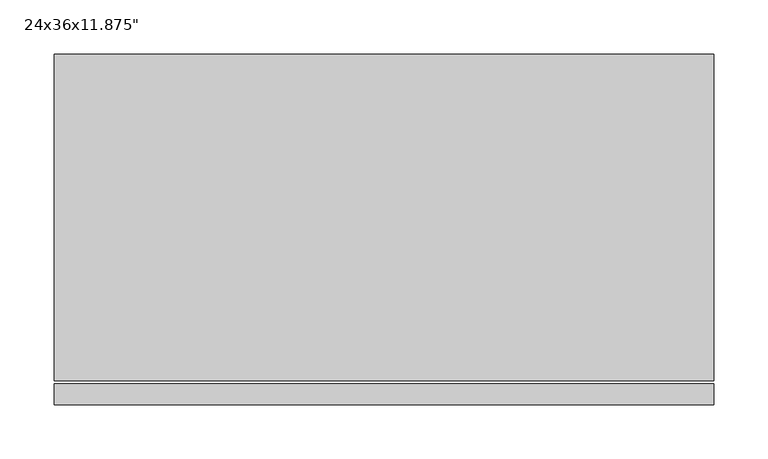
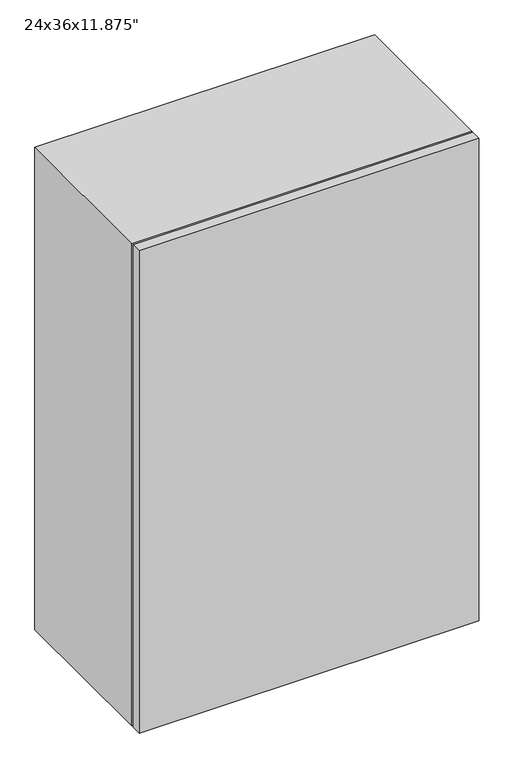
"""IFC4 building model written with IfcOpenShell, lengths in millimetres: furniture geometry."""

from ifc_helpers import new_model, si_unit, frame, origin, place, context, project, spatial, polyline, outline, extrude, source, transform, mapped, element, save


def furniture_7ad72b8a(model_context):
    return source(origin(), model_context, "Body", "SweptSolid", [
        extrude(outline(polyline([(315.5211628, -82.55), (315.5211628, -101.6), (-255.9788372, -101.6), (-255.9788372, -82.55), (315.5211628, -82.55)])), frame((0.0, 0.0, 1238.25), z_axis=(0.0, 0.0, 1.0), x_axis=(1.0, 0.0, 0.0)), (0.0, 0.0, 1.0), 876.3),
        extrude(outline(polyline([(2133.6, -275.0288372), (1219.2, -275.0288372), (1219.2, 334.5711628), (2133.6, 334.5711628), (2133.6, -275.0288372)]), holes=[polyline([(2114.55, -255.9788372), (2114.55, 315.5211628), (1238.25, 315.5211628), (1238.25, -255.9788372), (2114.55, -255.9788372)])]), frame((0.0, -384.175, 0.0), z_axis=(0.0, 1.0, 0.0), x_axis=(0.0, 0.0, 1.0)), (0.0, 0.0, 1.0), 301.625),
        extrude(outline(polyline([(-275.0288372, -406.4), (-275.0288372, -387.35), (334.5711628, -387.35), (334.5711628, -406.4), (-275.0288372, -406.4)])), frame((0.0, 0.0, 1219.2), z_axis=(0.0, 0.0, 1.0), x_axis=(1.0, 0.0, 0.0)), (0.0, 0.0, 1.0), 914.4),
        extrude(outline(polyline([(315.5211628, -384.175), (-255.9788372, -384.175), (-255.9788372, -101.6), (315.5211628, -101.6), (315.5211628, -384.175)])), frame((0.0, 0.0, 1828.8), z_axis=(0.0, 0.0, 1.0), x_axis=(1.0, 0.0, 0.0)), (0.0, 0.0, 1.0), 19.05),
        extrude(outline(polyline([(315.5211628, -384.175), (-255.9788372, -384.175), (-255.9788372, -101.6), (315.5211628, -101.6), (315.5211628, -384.175)])), frame((0.0, 0.0, 1524.0), z_axis=(0.0, 0.0, 1.0), x_axis=(1.0, 0.0, 0.0)), (0.0, 0.0, 1.0), 19.05),
    ])


if __name__ == "__main__":
    model = new_model("IFC4")
    model_context = context("Model", 3, world=origin())
    ifc_project = project(units=[si_unit("LENGTHUNIT", "METRE", prefix="MILLI")], contexts=[model_context])
    site = spatial("IfcSite", under=ifc_project)
    building = spatial("IfcBuilding", under=site)
    placement = place(None, origin())
    furniture_shape = furniture_7ad72b8a(model_context)
    element("IfcFurniture", 1, ObjectType="24x36x11.875\"", at=placement, inside=building, context=model_context, shape_type="MappedRepresentation", body=[
        mapped(furniture_shape, transform((0.0, 0.0, 0.0), x_axis=(1.0, 0.0, 0.0), y_axis=(0.0, 1.0, 0.0), z_axis=(0.0, 0.0, 1.0))),
    ])
    save(model, "model.ifc")
